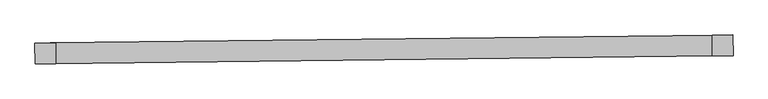
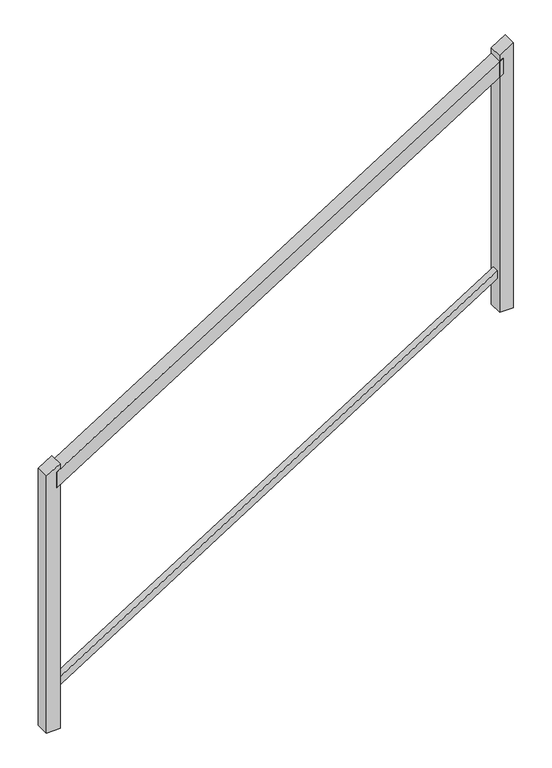
"""IFC4 building model written with IfcOpenShell, lengths in millimetres: railing geometry."""

import ifcopenshell
import ifcopenshell.guid

model = None  # the IFC model being written
_history = None  # IfcOwnerHistory: only IFC2X3 demands one
_inside = {}  # id of a spatial element -> (the spatial element, [elements in it])
_under = {}  # id of a project, library or spatial element -> (it, [spatial elements below it])
_declared = {}  # id of a project -> (the project, [libraries it declares])
_typed = {}  # id of a type object -> (the type object, [elements of that type])
_made_of = {}  # id of a material, layer set ... -> (it, [elements and type objects made of it])


def new_model(schema):
    """Start an empty IFC model of exactly this schema.

    Asked for "IFC4X3", IfcOpenShell would pick the latest addendum, in which some entities
    have other attributes; the version numbers below select the first issue.
    IFC2X3 requires an IfcOwnerHistory on every rooted entity: one is made here for all.
    """
    global model, _history
    if schema == "IFC4X3":
        model = ifcopenshell.file(schema_version=(4, 3, 0, 0))
    else:
        model = ifcopenshell.file(schema=schema)
    _inside.clear()
    _under.clear()
    _declared.clear()
    _typed.clear()
    _made_of.clear()
    _history = None
    if model.schema == "IFC2X3":
        org = make("IfcOrganization", Name="unknown")
        user = make(
            "IfcPersonAndOrganization",
            ThePerson=make("IfcPerson", FamilyName="unknown"),
            TheOrganization=org,
        )
        app = make(
            "IfcApplication",
            ApplicationDeveloper=org,
            Version="unknown",
            ApplicationFullName="unknown",
            ApplicationIdentifier="unknown",
        )
        _history = make(
            "IfcOwnerHistory",
            OwningUser=user,
            OwningApplication=app,
            ChangeAction="ADDED",
            CreationDate=0,
        )
    return model


def make(cls, **values):
    """One entity of the class cls with the attributes given. An attribute that is None is left unset."""
    return model.create_entity(
        cls, **{name: value for name, value in values.items() if value is not None}
    )


def rooted(cls, **values):
    """An entity with a GlobalId (a new one), such as an element, a storey or a relation."""
    return make(cls, GlobalId=ifcopenshell.guid.new(), OwnerHistory=_history, **values)


def si_unit(unit_type, name, prefix=None):
    """IfcSIUnit, for example si_unit("LENGTHUNIT", "METRE", prefix="MILLI")."""
    return make("IfcSIUnit", UnitType=unit_type, Prefix=prefix, Name=name)


def assignment(units):
    """IfcUnitAssignment: the units of a project."""
    return None if units is None else make("IfcUnitAssignment", Units=units)


def point(xyz):
    """IfcCartesianPoint."""
    return None if xyz is None else make("IfcCartesianPoint", Coordinates=xyz)


def direction(xyz):
    """IfcDirection."""
    return None if xyz is None else make("IfcDirection", DirectionRatios=xyz)


def frame(location, z_axis=None, x_axis=None):
    """IfcAxis2Placement3D, a coordinate frame: its origin and axes. An axis left out is left unset."""
    return make(
        "IfcAxis2Placement3D",
        Location=point(location),
        Axis=direction(z_axis),
        RefDirection=direction(x_axis),
    )


def origin():
    """The frame at (0, 0, 0) with its axes left unset."""
    return frame((0.0, 0.0, 0.0))


def place(relative_to, where):
    """IfcLocalPlacement: puts the frame where relative to a parent placement (None: the world)."""
    return make(
        "IfcLocalPlacement", PlacementRelTo=relative_to, RelativePlacement=where
    )


def context(
    kind, dimensions, precision=None, world=None, true_north=None, identifier=None
):
    """IfcGeometricRepresentationContext, for example the 3D "Model" context."""
    return make(
        "IfcGeometricRepresentationContext",
        ContextIdentifier=identifier,
        ContextType=kind,
        CoordinateSpaceDimension=dimensions,
        Precision=precision,
        WorldCoordinateSystem=world,
        TrueNorth=true_north,
    )


def project(units=None, contexts=None):
    """IfcProject with its units and contexts."""
    return rooted(
        "IfcProject",
        Name="project",
        RepresentationContexts=contexts,
        UnitsInContext=assignment(units),
    )


def spatial(cls, under=None, at=None, **own):
    """A site, building, storey or space (cls), placed at a placement, below another one or the project."""
    s = rooted(cls, ObjectPlacement=at, **own)
    if under is not None:
        _under.setdefault(under.id(), (under, []))[1].append(s)
    return s


def polyline(points):
    """IfcPolyline through the points."""
    return make("IfcPolyline", Points=[point(p) for p in points])


def outline(outer, holes=None, kind="AREA"):
    """IfcArbitraryClosedProfileDef: a profile drawn as a closed curve; with holes, ...WithVoids."""
    if holes is None:
        return make("IfcArbitraryClosedProfileDef", ProfileType=kind, OuterCurve=outer)
    return make(
        "IfcArbitraryProfileDefWithVoids",
        ProfileType=kind,
        OuterCurve=outer,
        InnerCurves=holes,
    )


def extrude(swept, where, along, depth):
    """IfcExtrudedAreaSolid: the profile swept, set in the frame where, extruded along a direction by depth."""
    return make(
        "IfcExtrudedAreaSolid",
        SweptArea=swept,
        Position=where,
        ExtrudedDirection=direction(along),
        Depth=depth,
    )


def shape(context_of_items, identifier, shape_type, items):
    """IfcShapeRepresentation: the items that make up one representation, for example the "Body"."""
    return make(
        "IfcShapeRepresentation",
        ContextOfItems=context_of_items,
        RepresentationIdentifier=identifier,
        RepresentationType=shape_type,
        Items=items,
    )


def source(mapping_origin, context_of_items, identifier, shape_type, items):
    """IfcRepresentationMap: a shape defined once, which mapped items show again and again."""
    return make(
        "IfcRepresentationMap",
        MappingOrigin=mapping_origin,
        MappedRepresentation=shape(context_of_items, identifier, shape_type, items),
    )


def transform(
    local_origin,
    x_axis=None,
    y_axis=None,
    z_axis=None,
    scale=None,
    scale2=None,
    scale3=None,
    uniform=True,
):
    """IfcCartesianTransformationOperator3D, or its non-uniform kind. x_axis, y_axis, z_axis: its Axis1, 2, 3."""
    if uniform:
        return make(
            "IfcCartesianTransformationOperator3D",
            Axis1=direction(x_axis),
            Axis2=direction(y_axis),
            LocalOrigin=point(local_origin),
            Scale=scale,
            Axis3=direction(z_axis),
        )
    return make(
        "IfcCartesianTransformationOperator3DnonUniform",
        Axis1=direction(x_axis),
        Axis2=direction(y_axis),
        LocalOrigin=point(local_origin),
        Scale=scale,
        Axis3=direction(z_axis),
        Scale2=scale2,
        Scale3=scale3,
    )


def mapped(mapping_source, mapping_target):
    """IfcMappedItem: shows the shape of a source again, moved by a transform."""
    return make(
        "IfcMappedItem", MappingSource=mapping_source, MappingTarget=mapping_target
    )


def made_of(thing, what):
    """Note that an element or type object is made of a material, layer set ...; save() writes the relation."""
    if what is not None:
        _made_of.setdefault(what.id(), (what, []))[1].append(thing)
    return thing


def element(
    cls,
    number,
    at=None,
    inside=None,
    cuts=None,
    type_object=None,
    material=None,
    context=None,
    identifier="Body",
    shape_type=None,
    held_by="IfcProductDefinitionShape",
    body=None,
    shapes=None,
    **own,
):
    """One element of the class cls, such as IfcWall. Its Tag is "e" and its number.

    at: its placement. inside: the storey or other place that contains it. cuts: it is an
    opening in that element (IfcRelVoidsElement). A single representation is given by context,
    identifier, shape_type and body (its items); several are given by shapes. held_by: the class
    of the entity that holds the representations. save() writes the other relations.
    """
    e = rooted(cls, Tag="e%d" % number, ObjectPlacement=at, **own)
    if body is not None:
        shapes = [shape(context, identifier, shape_type, body)]
    if shapes is not None:
        e.Representation = make(held_by, Representations=shapes)
    if inside is not None:
        _inside.setdefault(inside.id(), (inside, []))[1].append(e)
    if cuts is not None:
        rooted(
            "IfcRelVoidsElement", RelatingBuildingElement=cuts, RelatedOpeningElement=e
        )
    if type_object is not None:
        _typed.setdefault(type_object.id(), (type_object, []))[1].append(e)
    return made_of(e, material)


def aggregate(whole, parts):
    """IfcRelAggregates: a whole, such as a stair, and the parts it consists of."""
    return rooted("IfcRelAggregates", RelatingObject=whole, RelatedObjects=parts)


def save(model, path):
    """Write the relations noted so far, then the file.

    IfcRelAggregates (storeys below a building ...), IfcRelContainedInSpatialStructure (elements
    in a storey), IfcRelDefinesByType, IfcRelAssociatesMaterial and IfcRelDeclares: one each for
    every whole, place, type object, material and project.
    """
    for whole, parts in _under.values():
        aggregate(whole, parts)
    for where, things in _inside.values():
        rooted(
            "IfcRelContainedInSpatialStructure",
            RelatedElements=things,
            RelatingStructure=where,
        )
    for kind, things in _typed.values():
        rooted("IfcRelDefinesByType", RelatedObjects=things, RelatingType=kind)
    for what, things in _made_of.values():
        rooted("IfcRelAssociatesMaterial", RelatedObjects=things, RelatingMaterial=what)
    for by, libraries in _declared.values():
        rooted("IfcRelDeclares", RelatingContext=by, RelatedDefinitions=libraries)
    model.write(path)


def railing_77495dde(model_context):
    return source(origin(), model_context, "Body", "SweptSolid", [
        extrude(outline(polyline([(31.3568112, -50.8000001), (0.0, 0.0), (1917.8673405, 0.0), (1949.2241517, -50.8), (31.3568112, -50.8000001)])), frame((-19953.1575106, 119344.631786, -3571.954424), z_axis=(-0.011634463823806973, 0.9999323173352949, 0.0), x_axis=(0.8508876017831044, 0.009900291099154348, 0.5252544843863298)), (0.0, 0.0, 1.0), 50.8),
        extrude(outline(polyline([(15.6784056, -25.4), (0.0, 0.0), (1917.8673405, 0.0), (1933.5457461, -25.4), (15.6784056, -25.4)])), frame((-19953.3052683, 119357.3309264, -4354.6298436), z_axis=(-0.011634463823806973, 0.9999323173352949, 0.0), x_axis=(0.8508876017831044, 0.009900291099154348, 0.5252544843863298)), (0.0, 0.0, 1.0), 25.4),
        extrude(outline(polyline([(59.6983216, -1e-07), (577.1903822, -838.3695828), (533.9623663, -865.0525106), (0.0, 0.0), (59.6983216, -1e-07)])), frame((-18283.1705474, 119364.062504, -2460.3192337), z_axis=(-0.01163446382380697, 0.9999323173352948, 0.0), x_axis=(-0.850887601783104, -0.009900291099154343, -0.5252544843863304)), (0.0, 0.0, 1.0), 50.8),
        extrude(outline(polyline([(59.6983216, 0.0), (577.1903822, -838.3695827), (533.9623662, -865.0525105), (0.0, 0.0), (59.6983216, 0.0)])), frame((-19940.4583702, 119344.7795437, -3483.3660604), z_axis=(-0.01163446382380697, 0.9999323173352948, 0.0), x_axis=(-0.850887601783104, -0.009900291099154343, -0.5252544843863304)), (0.0, 0.0, 1.0), 50.8),
    ])


if __name__ == "__main__":
    model = new_model("IFC4")
    model_context = context("Model", 3, world=origin())
    ifc_project = project(units=[si_unit("LENGTHUNIT", "METRE", prefix="MILLI")], contexts=[model_context])
    site = spatial("IfcSite", under=ifc_project)
    building = spatial("IfcBuilding", under=site)
    placement = place(None, origin())
    railing_shape = railing_77495dde(model_context)
    element("IfcRailing", 1, at=placement, inside=building, context=model_context, shape_type="MappedRepresentation", body=[
        mapped(railing_shape, transform((0.0, 0.0, 0.0), x_axis=(1.0, 0.0, 0.0), y_axis=(0.0, 1.0, 0.0), z_axis=(0.0, 0.0, 1.0))),
    ])
    save(model, "model.ifc")
